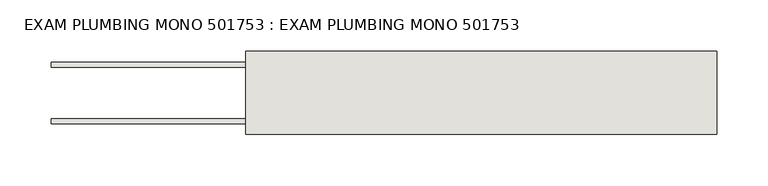
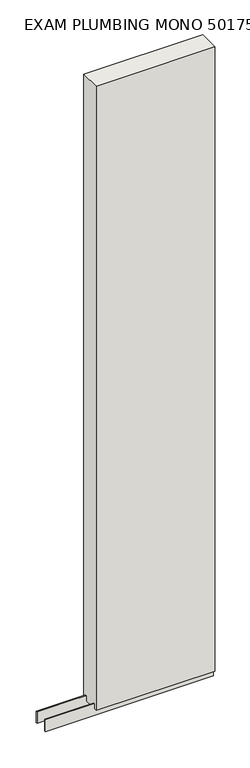
"""IFC4 building model written with IfcOpenShell, lengths in millimetres: wall geometry, EXAM PLUMBING MONO 501753 : EXAM PLUMBING MONO 501753."""

from ifc_helpers import new_model, si_unit, frame, origin, place, context, project, spatial, polyline, outline, extrude, source, transform, mapped, element, save


def exam_plumbing_mono_501753_exam_plumbing_mono_501753_ec859a04(model_context):
    return source(origin(), model_context, "Body", "SweptSolid", [
        extrude(outline(polyline([(47584.4493064, -53342.677668), (47581.9093064, -53342.677668), (47581.9093064, -53340.137668), (47584.4493064, -53340.137668), (47584.4493064, -53342.677668)])), frame((0.0, 0.0, 4419.6), z_axis=(0.0, 0.0, 1.0), x_axis=(1.0, 0.0, 0.0)), (0.0, 0.0, 1.0), 2.54),
        extrude(outline(polyline([(48042.803965, -53316.330121), (47391.420457, -53316.330121), (47391.420457, -53311.245168), (48042.803965, -53311.245168), (48042.803965, -53316.330121)])), frame((0.0, 0.0, 4418.6602), z_axis=(0.0, 0.0, 1.0), x_axis=(1.0, 0.0, 0.0)), (0.0, 0.0, 1.0), 47.625),
        extrude(outline(polyline([(48042.803965, -53316.330121), (47391.420457, -53316.330121), (47391.420457, -53311.245168), (48042.803965, -53311.245168), (48042.803965, -53316.330121)])), frame((0.0, 0.0, 4418.6602), z_axis=(0.0, 0.0, 1.0), x_axis=(1.0, 0.0, 0.0)), (0.0, 0.0, 1.0), 47.625),
        extrude(outline(polyline([(47391.420457, -53366.4914126), (48042.803965, -53366.4914126), (48042.803965, -53371.570168), (47391.420457, -53371.570168), (47391.420457, -53366.4914126)])), frame((0.0, 0.0, 4418.6602), z_axis=(0.0, 0.0, 1.0), x_axis=(1.0, 0.0, 0.0)), (0.0, 0.0, 1.0), 47.625),
        extrude(outline(polyline([(47391.420457, -53366.4914126), (48042.803965, -53366.4914126), (48042.803965, -53371.570168), (47391.420457, -53371.570168), (47391.420457, -53366.4914126)])), frame((0.0, 0.0, 4418.6602), z_axis=(0.0, 0.0, 1.0), x_axis=(1.0, 0.0, 0.0)), (0.0, 0.0, 1.0), 47.625),
        extrude(outline(polyline([(48042.803965, -53300.7589812), (48042.803965, -53382.0625524), (47581.920457, -53382.0625524), (47581.920457, -53300.7589812), (48042.803965, -53300.7589812)])), frame((0.0, 0.0, 4445.0), z_axis=(0.0, 0.0, 1.0), x_axis=(1.0, 0.0, 0.0)), (0.0, 0.0, 1.0), 2562.4536762),
    ])


if __name__ == "__main__":
    model = new_model("IFC4")
    model_context = context("Model", 3, world=origin())
    ifc_project = project(units=[si_unit("LENGTHUNIT", "METRE", prefix="MILLI")], contexts=[model_context])
    site = spatial("IfcSite", under=ifc_project)
    building = spatial("IfcBuilding", under=site)
    placement = place(None, origin())
    exam_plumbing_mono_501753_exam_plumbing_mono_501753_shape = exam_plumbing_mono_501753_exam_plumbing_mono_501753_ec859a04(model_context)
    element("IfcWall", 1, ObjectType="EXAM PLUMBING MONO 501753 : EXAM PLUMBING MONO 501753", at=placement, inside=building, context=model_context, shape_type="MappedRepresentation", body=[
        mapped(exam_plumbing_mono_501753_exam_plumbing_mono_501753_shape, transform((0.0, 0.0, 0.0), x_axis=(1.0, 0.0, 0.0), y_axis=(0.0, 1.0, 0.0), z_axis=(0.0, 0.0, 1.0))),
    ])
    save(model, "model.ifc")
